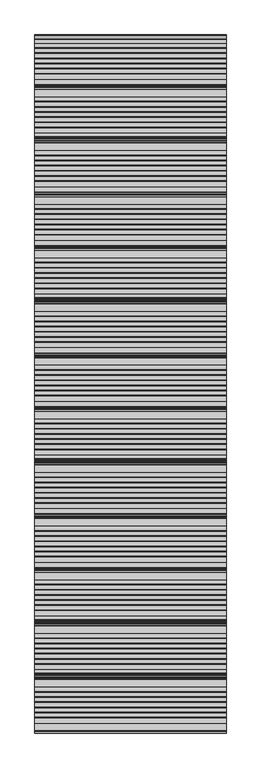
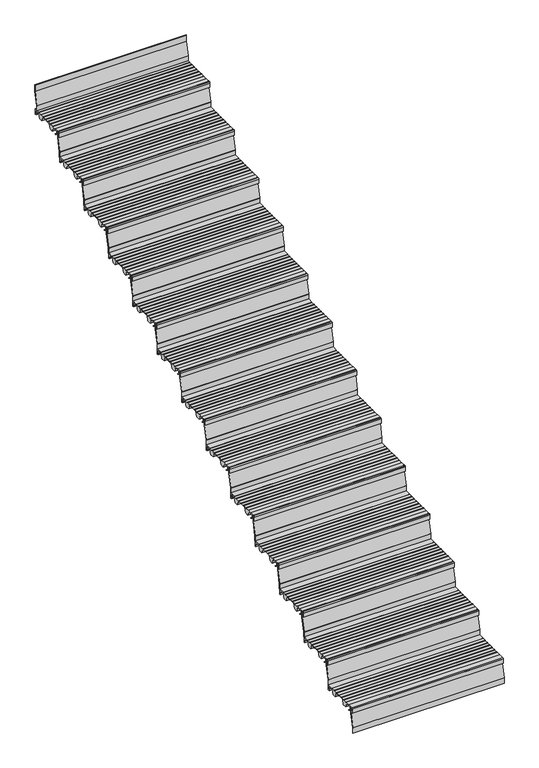
"""IFC4 building model written with IfcOpenShell, lengths in millimetres: stair flight geometry."""

from ifc_helpers import new_model, si_unit, point, frame, frame_2d, origin, place, context, project, spatial, polyline, circle_curve, trimmed, segment, composite_curve, outline, extrude, source, transform, mapped, element, save


def stair_flight_ac279fb4(model_context):
    return source(origin(), model_context, "Body", "SweptSolid", [
        extrude(outline(composite_curve([segment(polyline([(-14035.7714581, 142.2436313), (-14024.0121655, 133.0961128), (-14020.5625929, 133.0885102), (-14020.5684453, 130.4330421), (-14024.9259703, 130.4426458), (-14038.2117943, 140.7776485), (-14038.8689923, 160.5772032), (-14055.6889024, 160.5401335), (-14055.6889024, 139.1885558), (-14049.7889347, 139.2015588), (-14049.7889347, 129.9429101), (-14058.9832568, 129.9429101), (-14058.9832568, 160.8235294)]), True, "CONTINUOUS"), segment(trimmed(circle_curve(frame_2d((-14053.9832568, 160.8235294)), 5.0), [point((-14058.9832568, 160.8235294))], [point((-14053.9832568, 165.8235294))], False, "CARTESIAN"), True, "CONTINUOUS"), segment(polyline([(-14053.9832568, 165.8235294), (-14019.2747035, 165.8235294), (-14019.2747035, 164.4415536), (-13989.2485475, 164.3753783), (-13989.2485475, 165.9642153), (-13987.213968, 165.9642153), (-13987.213968, 164.0199324), (-13962.3673917, 164.0199324), (-13962.3673917, 165.9642153), (-13960.3328122, 165.9642153), (-13960.3328122, 164.0199324), (-13935.4862358, 164.0199324), (-13935.4862358, 165.9642153), (-13933.4516563, 165.9642153), (-13933.4516563, 164.0199324), (-13908.60508, 164.0199324), (-13908.60508, 165.9642153), (-13906.5705005, 165.9642153), (-13906.5705005, 164.0199324), (-13881.7239241, 164.0199324), (-13881.7239241, 165.9642153), (-13879.6893446, 165.9642153), (-13879.6893446, 164.0199324), (-13854.852176, 164.0199324), (-13854.852176, 165.9642153), (-13852.8175965, 165.9642153), (-13852.8175965, 164.0199324), (-13827.9697223, 164.0199324), (-13827.9697223, 165.9094525), (-13788.9832568, 165.8235294), (-13788.9832568, 129.9226465), (-13798.1775789, 129.9429101), (-13798.1775789, 139.2015588), (-13792.2776112, 139.1885558), (-13792.2776112, 160.5401335), (-13830.4991521, 160.6243708), (-13841.2246336, 130.0377824), (-13866.1164136, 130.092642), (-13879.1103611, 161.2983621), (-13949.7810763, 161.4541148), (-13960.7051778, 130.3011082), (-13985.5969579, 130.3559677), (-13998.6696565, 161.7508134), (-14019.2747035, 161.7962253), (-14019.2747035, 160.6203875), (-14036.3801784, 160.5826884), (-14035.7714581, 142.2436313)]), True, "CONTINUOUS")], self_intersect=False)), frame((-18715.7515248, 0.0, 0.0), z_axis=(1.0, 0.0, 0.0), x_axis=(0.0, 1.0, 0.0)), (0.0, 0.0, 1.0), 1000.0),
        extrude(outline(composite_curve([segment(polyline([(-14047.4779196, 165.8235294), (-14045.4776692, 165.8235294), (-14045.4776692, 124.3665797)]), True, "CONTINUOUS"), segment(trimmed(circle_curve(frame_2d((-14049.3540568, 124.2822498)), 3.8773048), [point((-14045.4776692, 124.3665797))], [point((-14045.5840737, 123.376314))], False, "CARTESIAN"), True, "CONTINUOUS"), segment(polyline([(-14045.5840737, 123.376314), (-14066.9830064, 34.3262853), (-14066.9830064, -1.6764706), (-14068.9832568, -1.6764706), (-14068.9832568, 34.0170374)]), True, "CONTINUOUS"), segment(trimmed(circle_curve(frame_2d((-14064.394955, 34.0170374)), 4.5883018), [point((-14068.9832568, 34.0170374))], [point((-14068.8562551, 35.0890984))], False, "CARTESIAN"), True, "CONTINUOUS"), segment(polyline([(-14068.8562551, 35.0890984), (-14047.4779196, 124.0534134), (-14047.4779196, 165.8235294)]), True, "CONTINUOUS")], self_intersect=False)), frame((-18715.7515248, 0.0, 0.0), z_axis=(1.0, 0.0, 0.0), x_axis=(0.0, 1.0, 0.0)), (0.0, 0.0, 1.0), 1000.0),
        extrude(outline(composite_curve([segment(polyline([(-13767.4779196, 331.6470588), (-13765.4776692, 331.6470588), (-13765.4776692, 290.1901091)]), True, "CONTINUOUS"), segment(trimmed(circle_curve(frame_2d((-13769.3540568, 290.1057792)), 3.8773048), [point((-13765.4776692, 290.1901091))], [point((-13765.5840737, 289.1998434))], False, "CARTESIAN"), True, "CONTINUOUS"), segment(polyline([(-13765.5840737, 289.1998434), (-13786.9830064, 200.1498147), (-13786.9830064, 164.1470588), (-13788.9832568, 164.1470588), (-13788.9832568, 199.8405668)]), True, "CONTINUOUS"), segment(trimmed(circle_curve(frame_2d((-13784.394955, 199.8405668)), 4.5883018), [point((-13788.9832568, 199.8405668))], [point((-13788.8562551, 200.9126278))], False, "CARTESIAN"), True, "CONTINUOUS"), segment(polyline([(-13788.8562551, 200.9126278), (-13767.4779196, 289.8769428), (-13767.4779196, 331.6470588)]), True, "CONTINUOUS")], self_intersect=False)), frame((-18715.7515248, 0.0, 0.0), z_axis=(1.0, 0.0, 0.0), x_axis=(0.0, 1.0, 0.0)), (0.0, 0.0, 1.0), 1000.0),
        extrude(outline(composite_curve([segment(polyline([(-13755.7714581, 308.0671607), (-13744.0121655, 298.9196422), (-13740.5625929, 298.9120396), (-13740.5684453, 296.2565715), (-13744.9259703, 296.2661752), (-13758.2117943, 306.6011779), (-13758.8689923, 326.4007327), (-13775.6889024, 326.3636629), (-13775.6889024, 305.0120852), (-13769.7889347, 305.0250882), (-13769.7889347, 295.7664395), (-13778.9832568, 295.7664395), (-13778.9832568, 326.6470588)]), True, "CONTINUOUS"), segment(trimmed(circle_curve(frame_2d((-13773.9832568, 326.6470588)), 5.0), [point((-13778.9832568, 326.6470588))], [point((-13773.9832568, 331.6470588))], False, "CARTESIAN"), True, "CONTINUOUS"), segment(polyline([(-13773.9832568, 331.6470588), (-13739.2747035, 331.6470588), (-13739.2747035, 330.265083), (-13709.2485475, 330.1989077), (-13709.2485475, 331.7877447), (-13707.213968, 331.7877447), (-13707.213968, 329.8434618), (-13682.3673917, 329.8434618), (-13682.3673917, 331.7877447), (-13680.3328122, 331.7877447), (-13680.3328122, 329.8434618), (-13655.4862358, 329.8434618), (-13655.4862358, 331.7877447), (-13653.4516563, 331.7877447), (-13653.4516563, 329.8434618), (-13628.60508, 329.8434618), (-13628.60508, 331.7877447), (-13626.5705005, 331.7877447), (-13626.5705005, 329.8434618), (-13601.7239241, 329.8434618), (-13601.7239241, 331.7877447), (-13599.6893446, 331.7877447), (-13599.6893446, 329.8434618), (-13574.852176, 329.8434618), (-13574.852176, 331.7877447), (-13572.8175965, 331.7877447), (-13572.8175965, 329.8434618), (-13547.9697223, 329.8434618), (-13547.9697223, 331.7329819), (-13508.9832568, 331.6470588), (-13508.9832568, 295.7461759), (-13518.1775789, 295.7664395), (-13518.1775789, 305.0250882), (-13512.2776112, 305.0120852), (-13512.2776112, 326.3636629), (-13550.4991521, 326.4479002), (-13561.2246336, 295.8613118), (-13586.1164136, 295.9161714), (-13599.1103611, 327.1218915), (-13669.7810763, 327.2776442), (-13680.7051778, 296.1246376), (-13705.5969579, 296.1794971), (-13718.6696565, 327.5743428), (-13739.2747035, 327.6197548), (-13739.2747035, 326.4439169), (-13756.3801784, 326.4062178), (-13755.7714581, 308.0671607)]), True, "CONTINUOUS")], self_intersect=False)), frame((-18715.7515248, 0.0, 0.0), z_axis=(1.0, 0.0, 0.0), x_axis=(0.0, 1.0, 0.0)), (0.0, 0.0, 1.0), 1000.0),
        extrude(outline(composite_curve([segment(polyline([(-13487.4779196, 497.4705882), (-13485.4776692, 497.4705882), (-13485.4776692, 456.0136385)]), True, "CONTINUOUS"), segment(trimmed(circle_curve(frame_2d((-13489.3540568, 455.9293087)), 3.8773048), [point((-13485.4776692, 456.0136385))], [point((-13485.5840737, 455.0233728))], False, "CARTESIAN"), True, "CONTINUOUS"), segment(polyline([(-13485.5840737, 455.0233728), (-13506.9830064, 365.9733441), (-13506.9830064, 329.9705882), (-13508.9832568, 329.9705882), (-13508.9832568, 365.6640963)]), True, "CONTINUOUS"), segment(trimmed(circle_curve(frame_2d((-13504.394955, 365.6640963)), 4.5883018), [point((-13508.9832568, 365.6640963))], [point((-13508.8562551, 366.7361572))], False, "CARTESIAN"), True, "CONTINUOUS"), segment(polyline([(-13508.8562551, 366.7361572), (-13487.4779196, 455.7004722), (-13487.4779196, 497.4705882)]), True, "CONTINUOUS")], self_intersect=False)), frame((-18715.7515248, 0.0, 0.0), z_axis=(1.0, 0.0, 0.0), x_axis=(0.0, 1.0, 0.0)), (0.0, 0.0, 1.0), 1000.0),
        extrude(outline(composite_curve([segment(polyline([(-13475.7714581, 473.8906902), (-13464.0121655, 464.7431716), (-13460.5625929, 464.735569), (-13460.5684453, 462.080101), (-13464.9259703, 462.0897046), (-13478.2117943, 472.4247073), (-13478.8689923, 492.2242621), (-13495.6889024, 492.1871923), (-13495.6889024, 470.8356146), (-13489.7889347, 470.8486177), (-13489.7889347, 461.5899689), (-13498.9832568, 461.5899689), (-13498.9832568, 492.4705882)]), True, "CONTINUOUS"), segment(trimmed(circle_curve(frame_2d((-13493.9832568, 492.4705882)), 5.0), [point((-13498.9832568, 492.4705882))], [point((-13493.9832568, 497.4705882))], False, "CARTESIAN"), True, "CONTINUOUS"), segment(polyline([(-13493.9832568, 497.4705882), (-13459.2747035, 497.4705882), (-13459.2747035, 496.0886124), (-13429.2485475, 496.0224371), (-13429.2485475, 497.6112741), (-13427.213968, 497.6112741), (-13427.213968, 495.6669912), (-13402.3673917, 495.6669912), (-13402.3673917, 497.6112741), (-13400.3328122, 497.6112741), (-13400.3328122, 495.6669912), (-13375.4862358, 495.6669912), (-13375.4862358, 497.6112741), (-13373.4516563, 497.6112741), (-13373.4516563, 495.6669912), (-13348.60508, 495.6669912), (-13348.60508, 497.6112741), (-13346.5705005, 497.6112741), (-13346.5705005, 495.6669912), (-13321.7239241, 495.6669912), (-13321.7239241, 497.6112741), (-13319.6893446, 497.6112741), (-13319.6893446, 495.6669912), (-13294.852176, 495.6669912), (-13294.852176, 497.6112741), (-13292.8175965, 497.6112741), (-13292.8175965, 495.6669912), (-13267.9697223, 495.6669912), (-13267.9697223, 497.5565113), (-13228.9832568, 497.4705882), (-13228.9832568, 461.5697053), (-13238.1775789, 461.5899689), (-13238.1775789, 470.8486177), (-13232.2776112, 470.8356146), (-13232.2776112, 492.1871923), (-13270.4991521, 492.2714296), (-13281.2246336, 461.6848412), (-13306.1164136, 461.7397008), (-13319.1103611, 492.9454209), (-13389.7810763, 493.1011736), (-13400.7051778, 461.948167), (-13425.5969579, 462.0030265), (-13438.6696565, 493.3978723), (-13459.2747035, 493.4432842), (-13459.2747035, 492.2674463), (-13476.3801784, 492.2297472), (-13475.7714581, 473.8906902)]), True, "CONTINUOUS")], self_intersect=False)), frame((-18715.7515248, 0.0, 0.0), z_axis=(1.0, 0.0, 0.0), x_axis=(0.0, 1.0, 0.0)), (0.0, 0.0, 1.0), 1000.0),
        extrude(outline(composite_curve([segment(polyline([(-13207.4779196, 663.2941176), (-13205.4776692, 663.2941176), (-13205.4776692, 621.8371679)]), True, "CONTINUOUS"), segment(trimmed(circle_curve(frame_2d((-13209.3540568, 621.7528381)), 3.8773048), [point((-13205.4776692, 621.8371679))], [point((-13205.5840737, 620.8469022))], False, "CARTESIAN"), True, "CONTINUOUS"), segment(polyline([(-13205.5840737, 620.8469022), (-13226.9830064, 531.7968735), (-13226.9830064, 495.7941176), (-13228.9832568, 495.7941176), (-13228.9832568, 531.4876257)]), True, "CONTINUOUS"), segment(trimmed(circle_curve(frame_2d((-13224.394955, 531.4876257)), 4.5883018), [point((-13228.9832568, 531.4876257))], [point((-13228.8562551, 532.5596866))], False, "CARTESIAN"), True, "CONTINUOUS"), segment(polyline([(-13228.8562551, 532.5596866), (-13207.4779196, 621.5240017), (-13207.4779196, 663.2941176)]), True, "CONTINUOUS")], self_intersect=False)), frame((-18715.7515248, 0.0, 0.0), z_axis=(1.0, 0.0, 0.0), x_axis=(0.0, 1.0, 0.0)), (0.0, 0.0, 1.0), 1000.0),
        extrude(outline(composite_curve([segment(polyline([(-13195.7714581, 639.7142196), (-13184.0121655, 630.566701), (-13180.5625929, 630.5590984), (-13180.5684453, 627.9036304), (-13184.9259703, 627.913234), (-13198.2117943, 638.2482367), (-13198.8689923, 658.0477915), (-13215.6889024, 658.0107217), (-13215.6889024, 636.659144), (-13209.7889347, 636.6721471), (-13209.7889347, 627.4134983), (-13218.9832568, 627.4134983), (-13218.9832568, 658.2941176)]), True, "CONTINUOUS"), segment(trimmed(circle_curve(frame_2d((-13213.9832568, 658.2941176)), 5.0), [point((-13218.9832568, 658.2941176))], [point((-13213.9832568, 663.2941176))], False, "CARTESIAN"), True, "CONTINUOUS"), segment(polyline([(-13213.9832568, 663.2941176), (-13179.2747035, 663.2941176), (-13179.2747035, 661.9121418), (-13149.2485475, 661.8459665), (-13149.2485475, 663.4348035), (-13147.213968, 663.4348035), (-13147.213968, 661.4905206), (-13122.3673917, 661.4905206), (-13122.3673917, 663.4348035), (-13120.3328122, 663.4348035), (-13120.3328122, 661.4905206), (-13095.4862358, 661.4905206), (-13095.4862358, 663.4348035), (-13093.4516563, 663.4348035), (-13093.4516563, 661.4905206), (-13068.60508, 661.4905206), (-13068.60508, 663.4348035), (-13066.5705005, 663.4348035), (-13066.5705005, 661.4905206), (-13041.7239241, 661.4905206), (-13041.7239241, 663.4348035), (-13039.6893446, 663.4348035), (-13039.6893446, 661.4905206), (-13014.852176, 661.4905206), (-13014.852176, 663.4348035), (-13012.8175965, 663.4348035), (-13012.8175965, 661.4905206), (-12987.9697223, 661.4905206), (-12987.9697223, 663.3800408), (-12948.9832568, 663.2941176), (-12948.9832568, 627.3932348), (-12958.1775789, 627.4134983), (-12958.1775789, 636.6721471), (-12952.2776112, 636.659144), (-12952.2776112, 658.0107217), (-12990.4991521, 658.094959), (-13001.2246336, 627.5083707), (-13026.1164136, 627.5632302), (-13039.1103611, 658.7689503), (-13109.7810763, 658.9247031), (-13120.7051778, 627.7716964), (-13145.5969579, 627.8265559), (-13158.6696565, 659.2214017), (-13179.2747035, 659.2668136), (-13179.2747035, 658.0909758), (-13196.3801784, 658.0532766), (-13195.7714581, 639.7142196)]), True, "CONTINUOUS")], self_intersect=False)), frame((-18715.7515248, 0.0, 0.0), z_axis=(1.0, 0.0, 0.0), x_axis=(0.0, 1.0, 0.0)), (0.0, 0.0, 1.0), 1000.0),
        extrude(outline(composite_curve([segment(polyline([(-12927.4779196, 829.1176471), (-12925.4776692, 829.1176471), (-12925.4776692, 787.6606973)]), True, "CONTINUOUS"), segment(trimmed(circle_curve(frame_2d((-12929.3540568, 787.5763675)), 3.8773048), [point((-12925.4776692, 787.6606973))], [point((-12925.5840737, 786.6704316))], False, "CARTESIAN"), True, "CONTINUOUS"), segment(polyline([(-12925.5840737, 786.6704316), (-12946.9830064, 697.620403), (-12946.9830064, 661.6176471), (-12948.9832568, 661.6176471), (-12948.9832568, 697.3111551)]), True, "CONTINUOUS"), segment(trimmed(circle_curve(frame_2d((-12944.394955, 697.3111551)), 4.5883018), [point((-12948.9832568, 697.3111551))], [point((-12948.8562551, 698.3832161))], False, "CARTESIAN"), True, "CONTINUOUS"), segment(polyline([(-12948.8562551, 698.3832161), (-12927.4779196, 787.3475311), (-12927.4779196, 829.1176471)]), True, "CONTINUOUS")], self_intersect=False)), frame((-18715.7515248, 0.0, 0.0), z_axis=(1.0, 0.0, 0.0), x_axis=(0.0, 1.0, 0.0)), (0.0, 0.0, 1.0), 1000.0),
        extrude(outline(composite_curve([segment(polyline([(-12915.7714581, 805.537749), (-12904.0121655, 796.3902304), (-12900.5625929, 796.3826279), (-12900.5684453, 793.7271598), (-12904.9259703, 793.7367634), (-12918.2117943, 804.0717661), (-12918.8689923, 823.8713209), (-12935.6889024, 823.8342511), (-12935.6889024, 802.4826734), (-12929.7889347, 802.4956765), (-12929.7889347, 793.2370277), (-12938.9832568, 793.2370277), (-12938.9832568, 824.1176471)]), True, "CONTINUOUS"), segment(trimmed(circle_curve(frame_2d((-12933.9832568, 824.1176471)), 5.0), [point((-12938.9832568, 824.1176471))], [point((-12933.9832568, 829.1176471))], False, "CARTESIAN"), True, "CONTINUOUS"), segment(polyline([(-12933.9832568, 829.1176471), (-12899.2747035, 829.1176471), (-12899.2747035, 827.7356712), (-12869.2485475, 827.6694959), (-12869.2485475, 829.2583329), (-12867.213968, 829.2583329), (-12867.213968, 827.31405), (-12842.3673917, 827.31405), (-12842.3673917, 829.2583329), (-12840.3328122, 829.2583329), (-12840.3328122, 827.31405), (-12815.4862358, 827.31405), (-12815.4862358, 829.2583329), (-12813.4516563, 829.2583329), (-12813.4516563, 827.31405), (-12788.60508, 827.31405), (-12788.60508, 829.2583329), (-12786.5705005, 829.2583329), (-12786.5705005, 827.31405), (-12761.7239241, 827.31405), (-12761.7239241, 829.2583329), (-12759.6893446, 829.2583329), (-12759.6893446, 827.31405), (-12734.852176, 827.31405), (-12734.852176, 829.2583329), (-12732.8175965, 829.2583329), (-12732.8175965, 827.31405), (-12707.9697223, 827.31405), (-12707.9697223, 829.2035702), (-12668.9832568, 829.1176471), (-12668.9832568, 793.2167642), (-12678.1775789, 793.2370277), (-12678.1775789, 802.4956765), (-12672.2776112, 802.4826734), (-12672.2776112, 823.8342511), (-12710.4991521, 823.9184884), (-12721.2246336, 793.3319001), (-12746.1164136, 793.3867596), (-12759.1103611, 824.5924798), (-12829.7810763, 824.7482325), (-12840.7051778, 793.5952258), (-12865.5969579, 793.6500854), (-12878.6696565, 825.0449311), (-12899.2747035, 825.090343), (-12899.2747035, 823.9145052), (-12916.3801784, 823.876806), (-12915.7714581, 805.537749)]), True, "CONTINUOUS")], self_intersect=False)), frame((-18715.7515248, 0.0, 0.0), z_axis=(1.0, 0.0, 0.0), x_axis=(0.0, 1.0, 0.0)), (0.0, 0.0, 1.0), 1000.0),
        extrude(outline(composite_curve([segment(polyline([(-12647.4779196, 994.9411765), (-12645.4776692, 994.9411765), (-12645.4776692, 953.4842267)]), True, "CONTINUOUS"), segment(trimmed(circle_curve(frame_2d((-12649.3540568, 953.3998969)), 3.8773048), [point((-12645.4776692, 953.4842267))], [point((-12645.5840737, 952.493961))], False, "CARTESIAN"), True, "CONTINUOUS"), segment(polyline([(-12645.5840737, 952.493961), (-12666.9830064, 863.4439324), (-12666.9830064, 827.4411765), (-12668.9832568, 827.4411765), (-12668.9832568, 863.1346845)]), True, "CONTINUOUS"), segment(trimmed(circle_curve(frame_2d((-12664.394955, 863.1346845)), 4.5883018), [point((-12668.9832568, 863.1346845))], [point((-12668.8562551, 864.2067455))], False, "CARTESIAN"), True, "CONTINUOUS"), segment(polyline([(-12668.8562551, 864.2067455), (-12647.4779196, 953.1710605), (-12647.4779196, 994.9411765)]), True, "CONTINUOUS")], self_intersect=False)), frame((-18715.7515248, 0.0, 0.0), z_axis=(1.0, 0.0, 0.0), x_axis=(0.0, 1.0, 0.0)), (0.0, 0.0, 1.0), 1000.0),
        extrude(outline(composite_curve([segment(polyline([(-12635.7714581, 971.3612784), (-12624.0121655, 962.2137599), (-12620.5625929, 962.2061573), (-12620.5684453, 959.5506892), (-12624.9259703, 959.5602928), (-12638.2117943, 969.8952956), (-12638.8689923, 989.6948503), (-12655.6889024, 989.6577805), (-12655.6889024, 968.3062028), (-12649.7889347, 968.3192059), (-12649.7889347, 959.0605571), (-12658.9832568, 959.0605571), (-12658.9832568, 989.9411765)]), True, "CONTINUOUS"), segment(trimmed(circle_curve(frame_2d((-12653.9832568, 989.9411765)), 5.0), [point((-12658.9832568, 989.9411765))], [point((-12653.9832568, 994.9411765))], False, "CARTESIAN"), True, "CONTINUOUS"), segment(polyline([(-12653.9832568, 994.9411765), (-12619.2747035, 994.9411765), (-12619.2747035, 993.5592006), (-12589.2485475, 993.4930253), (-12589.2485475, 995.0818624), (-12587.213968, 995.0818624), (-12587.213968, 993.1375794), (-12562.3673917, 993.1375794), (-12562.3673917, 995.0818624), (-12560.3328122, 995.0818624), (-12560.3328122, 993.1375794), (-12535.4862358, 993.1375794), (-12535.4862358, 995.0818624), (-12533.4516563, 995.0818624), (-12533.4516563, 993.1375794), (-12508.60508, 993.1375794), (-12508.60508, 995.0818624), (-12506.5705005, 995.0818624), (-12506.5705005, 993.1375794), (-12481.7239241, 993.1375794), (-12481.7239241, 995.0818624), (-12479.6893446, 995.0818624), (-12479.6893446, 993.1375794), (-12454.852176, 993.1375794), (-12454.852176, 995.0818624), (-12452.8175965, 995.0818624), (-12452.8175965, 993.1375794), (-12427.9697223, 993.1375794), (-12427.9697223, 995.0270996), (-12388.9832568, 994.9411765), (-12388.9832568, 959.0402936), (-12398.1775789, 959.0605571), (-12398.1775789, 968.3192059), (-12392.2776112, 968.3062028), (-12392.2776112, 989.6577805), (-12430.4991521, 989.7420178), (-12441.2246336, 959.1554295), (-12466.1164136, 959.210289), (-12479.1103611, 990.4160092), (-12549.7810763, 990.5717619), (-12560.7051778, 959.4187552), (-12585.5969579, 959.4736148), (-12598.6696565, 990.8684605), (-12619.2747035, 990.9138724), (-12619.2747035, 989.7380346), (-12636.3801784, 989.7003355), (-12635.7714581, 971.3612784)]), True, "CONTINUOUS")], self_intersect=False)), frame((-18715.7515248, 0.0, 0.0), z_axis=(1.0, 0.0, 0.0), x_axis=(0.0, 1.0, 0.0)), (0.0, 0.0, 1.0), 1000.0),
        extrude(outline(composite_curve([segment(polyline([(-12367.4779196, 1160.7647059), (-12365.4776692, 1160.7647059), (-12365.4776692, 1119.3077562)]), True, "CONTINUOUS"), segment(trimmed(circle_curve(frame_2d((-12369.3540568, 1119.2234263)), 3.8773048), [point((-12365.4776692, 1119.3077562))], [point((-12365.5840737, 1118.3174904))], False, "CARTESIAN"), True, "CONTINUOUS"), segment(polyline([(-12365.5840737, 1118.3174904), (-12386.9830064, 1029.2674618), (-12386.9830064, 993.2647059), (-12388.9832568, 993.2647059), (-12388.9832568, 1028.9582139)]), True, "CONTINUOUS"), segment(trimmed(circle_curve(frame_2d((-12384.394955, 1028.9582139)), 4.5883018), [point((-12388.9832568, 1028.9582139))], [point((-12388.8562551, 1030.0302749))], False, "CARTESIAN"), True, "CONTINUOUS"), segment(polyline([(-12388.8562551, 1030.0302749), (-12367.4779196, 1118.9945899), (-12367.4779196, 1160.7647059)]), True, "CONTINUOUS")], self_intersect=False)), frame((-18715.7515248, 0.0, 0.0), z_axis=(1.0, 0.0, 0.0), x_axis=(0.0, 1.0, 0.0)), (0.0, 0.0, 1.0), 1000.0),
        extrude(outline(composite_curve([segment(polyline([(-12355.7714581, 1137.1848078), (-12344.0121655, 1128.0372893), (-12340.5625929, 1128.0296867), (-12340.5684453, 1125.3742186), (-12344.9259703, 1125.3838222), (-12358.2117943, 1135.718825), (-12358.8689923, 1155.5183797), (-12375.6889024, 1155.48131), (-12375.6889024, 1134.1297322), (-12369.7889347, 1134.1427353), (-12369.7889347, 1124.8840866), (-12378.9832568, 1124.8840866), (-12378.9832568, 1155.7647059)]), True, "CONTINUOUS"), segment(trimmed(circle_curve(frame_2d((-12373.9832568, 1155.7647059)), 5.0), [point((-12378.9832568, 1155.7647059))], [point((-12373.9832568, 1160.7647059))], False, "CARTESIAN"), True, "CONTINUOUS"), segment(polyline([(-12373.9832568, 1160.7647059), (-12339.2747035, 1160.7647059), (-12339.2747035, 1159.38273), (-12309.2485475, 1159.3165547), (-12309.2485475, 1160.9053918), (-12307.213968, 1160.9053918), (-12307.213968, 1158.9611088), (-12282.3673917, 1158.9611088), (-12282.3673917, 1160.9053918), (-12280.3328122, 1160.9053918), (-12280.3328122, 1158.9611088), (-12255.4862358, 1158.9611088), (-12255.4862358, 1160.9053918), (-12253.4516563, 1160.9053918), (-12253.4516563, 1158.9611088), (-12228.60508, 1158.9611088), (-12228.60508, 1160.9053918), (-12226.5705005, 1160.9053918), (-12226.5705005, 1158.9611088), (-12201.7239241, 1158.9611088), (-12201.7239241, 1160.9053918), (-12199.6893446, 1160.9053918), (-12199.6893446, 1158.9611088), (-12174.852176, 1158.9611088), (-12174.852176, 1160.9053918), (-12172.8175965, 1160.9053918), (-12172.8175965, 1158.9611088), (-12147.9697223, 1158.9611088), (-12147.9697223, 1160.850629), (-12108.9832568, 1160.7647059), (-12108.9832568, 1124.863823), (-12118.1775789, 1124.8840866), (-12118.1775789, 1134.1427353), (-12112.2776112, 1134.1297322), (-12112.2776112, 1155.48131), (-12150.4991521, 1155.5655472), (-12161.2246336, 1124.9789589), (-12186.1164136, 1125.0338184), (-12199.1103611, 1156.2395386), (-12269.7810763, 1156.3952913), (-12280.7051778, 1125.2422846), (-12305.5969579, 1125.2971442), (-12318.6696565, 1156.6919899), (-12339.2747035, 1156.7374018), (-12339.2747035, 1155.561564), (-12356.3801784, 1155.5238649), (-12355.7714581, 1137.1848078)]), True, "CONTINUOUS")], self_intersect=False)), frame((-18715.7515248, 0.0, 0.0), z_axis=(1.0, 0.0, 0.0), x_axis=(0.0, 1.0, 0.0)), (0.0, 0.0, 1.0), 1000.0),
        extrude(outline(composite_curve([segment(polyline([(-12087.4779196, 1326.5882353), (-12085.4776692, 1326.5882353), (-12085.4776692, 1285.1312856)]), True, "CONTINUOUS"), segment(trimmed(circle_curve(frame_2d((-12089.3540568, 1285.0469557)), 3.8773048), [point((-12085.4776692, 1285.1312856))], [point((-12085.5840737, 1284.1410199))], False, "CARTESIAN"), True, "CONTINUOUS"), segment(polyline([(-12085.5840737, 1284.1410199), (-12106.9830064, 1195.0909912), (-12106.9830064, 1159.0882353), (-12108.9832568, 1159.0882353), (-12108.9832568, 1194.7817433)]), True, "CONTINUOUS"), segment(trimmed(circle_curve(frame_2d((-12104.394955, 1194.7817433)), 4.5883018), [point((-12108.9832568, 1194.7817433))], [point((-12108.8562551, 1195.8538043))], False, "CARTESIAN"), True, "CONTINUOUS"), segment(polyline([(-12108.8562551, 1195.8538043), (-12087.4779196, 1284.8181193), (-12087.4779196, 1326.5882353)]), True, "CONTINUOUS")], self_intersect=False)), frame((-18715.7515248, 0.0, 0.0), z_axis=(1.0, 0.0, 0.0), x_axis=(0.0, 1.0, 0.0)), (0.0, 0.0, 1.0), 1000.0),
        extrude(outline(composite_curve([segment(polyline([(-12075.7714581, 1303.0083372), (-12064.0121655, 1293.8608187), (-12060.5625929, 1293.8532161), (-12060.5684453, 1291.197748), (-12064.9259703, 1291.2073517), (-12078.2117943, 1301.5423544), (-12078.8689923, 1321.3419091), (-12095.6889024, 1321.3048394), (-12095.6889024, 1299.9532616), (-12089.7889347, 1299.9662647), (-12089.7889347, 1290.707616), (-12098.9832568, 1290.707616), (-12098.9832568, 1321.5882353)]), True, "CONTINUOUS"), segment(trimmed(circle_curve(frame_2d((-12093.9832568, 1321.5882353)), 5.0), [point((-12098.9832568, 1321.5882353))], [point((-12093.9832568, 1326.5882353))], False, "CARTESIAN"), True, "CONTINUOUS"), segment(polyline([(-12093.9832568, 1326.5882353), (-12059.2747035, 1326.5882353), (-12059.2747035, 1325.2062594), (-12029.2485475, 1325.1400841), (-12029.2485475, 1326.7289212), (-12027.213968, 1326.7289212), (-12027.213968, 1324.7846383), (-12002.3673917, 1324.7846383), (-12002.3673917, 1326.7289212), (-12000.3328122, 1326.7289212), (-12000.3328122, 1324.7846383), (-11975.4862358, 1324.7846383), (-11975.4862358, 1326.7289212), (-11973.4516563, 1326.7289212), (-11973.4516563, 1324.7846383), (-11948.60508, 1324.7846383), (-11948.60508, 1326.7289212), (-11946.5705005, 1326.7289212), (-11946.5705005, 1324.7846383), (-11921.7239241, 1324.7846383), (-11921.7239241, 1326.7289212), (-11919.6893446, 1326.7289212), (-11919.6893446, 1324.7846383), (-11894.852176, 1324.7846383), (-11894.852176, 1326.7289212), (-11892.8175965, 1326.7289212), (-11892.8175965, 1324.7846383), (-11867.9697223, 1324.7846383), (-11867.9697223, 1326.6741584), (-11828.9832568, 1326.5882353), (-11828.9832568, 1290.6873524), (-11838.1775789, 1290.707616), (-11838.1775789, 1299.9662647), (-11832.2776112, 1299.9532616), (-11832.2776112, 1321.3048394), (-11870.4991521, 1321.3890766), (-11881.2246336, 1290.8024883), (-11906.1164136, 1290.8573478), (-11919.1103611, 1322.063068), (-11989.7810763, 1322.2188207), (-12000.7051778, 1291.0658141), (-12025.5969579, 1291.1206736), (-12038.6696565, 1322.5155193), (-12059.2747035, 1322.5609312), (-12059.2747035, 1321.3850934), (-12076.3801784, 1321.3473943), (-12075.7714581, 1303.0083372)]), True, "CONTINUOUS")], self_intersect=False)), frame((-18715.7515248, 0.0, 0.0), z_axis=(1.0, 0.0, 0.0), x_axis=(0.0, 1.0, 0.0)), (0.0, 0.0, 1.0), 1000.0),
        extrude(outline(composite_curve([segment(polyline([(-11807.4779196, 1492.4117647), (-11805.4776692, 1492.4117647), (-11805.4776692, 1450.954815)]), True, "CONTINUOUS"), segment(trimmed(circle_curve(frame_2d((-11809.3540568, 1450.8704851)), 3.8773048), [point((-11805.4776692, 1450.954815))], [point((-11805.5840737, 1449.9645493))], False, "CARTESIAN"), True, "CONTINUOUS"), segment(polyline([(-11805.5840737, 1449.9645493), (-11826.9830064, 1360.9145206), (-11826.9830064, 1324.9117647), (-11828.9832568, 1324.9117647), (-11828.9832568, 1360.6052727)]), True, "CONTINUOUS"), segment(trimmed(circle_curve(frame_2d((-11824.394955, 1360.6052727)), 4.5883018), [point((-11828.9832568, 1360.6052727))], [point((-11828.8562551, 1361.6773337))], False, "CARTESIAN"), True, "CONTINUOUS"), segment(polyline([(-11828.8562551, 1361.6773337), (-11807.4779196, 1450.6416487), (-11807.4779196, 1492.4117647)]), True, "CONTINUOUS")], self_intersect=False)), frame((-18715.7515248, 0.0, 0.0), z_axis=(1.0, 0.0, 0.0), x_axis=(0.0, 1.0, 0.0)), (0.0, 0.0, 1.0), 1000.0),
        extrude(outline(composite_curve([segment(polyline([(-11795.7714581, 1468.8318666), (-11784.0121655, 1459.6843481), (-11780.5625929, 1459.6767455), (-11780.5684453, 1457.0212774), (-11784.9259703, 1457.0308811), (-11798.2117943, 1467.3658838), (-11798.8689923, 1487.1654385), (-11815.6889024, 1487.1283688), (-11815.6889024, 1465.7767911), (-11809.7889347, 1465.7897941), (-11809.7889347, 1456.5311454), (-11818.9832568, 1456.5311454), (-11818.9832568, 1487.4117647)]), True, "CONTINUOUS"), segment(trimmed(circle_curve(frame_2d((-11813.9832568, 1487.4117647)), 5.0), [point((-11818.9832568, 1487.4117647))], [point((-11813.9832568, 1492.4117647))], False, "CARTESIAN"), True, "CONTINUOUS"), segment(polyline([(-11813.9832568, 1492.4117647), (-11779.2747035, 1492.4117647), (-11779.2747035, 1491.0297889), (-11749.2485475, 1490.9636136), (-11749.2485475, 1492.5524506), (-11747.213968, 1492.5524506), (-11747.213968, 1490.6081677), (-11722.3673917, 1490.6081677), (-11722.3673917, 1492.5524506), (-11720.3328122, 1492.5524506), (-11720.3328122, 1490.6081677), (-11695.4862358, 1490.6081677), (-11695.4862358, 1492.5524506), (-11693.4516563, 1492.5524506), (-11693.4516563, 1490.6081677), (-11668.60508, 1490.6081677), (-11668.60508, 1492.5524506), (-11666.5705005, 1492.5524506), (-11666.5705005, 1490.6081677), (-11641.7239241, 1490.6081677), (-11641.7239241, 1492.5524506), (-11639.6893446, 1492.5524506), (-11639.6893446, 1490.6081677), (-11614.852176, 1490.6081677), (-11614.852176, 1492.5524506), (-11612.8175965, 1492.5524506), (-11612.8175965, 1490.6081677), (-11587.9697223, 1490.6081677), (-11587.9697223, 1492.4976878), (-11548.9832568, 1492.4117647), (-11548.9832568, 1456.5108818), (-11558.1775789, 1456.5311454), (-11558.1775789, 1465.7897941), (-11552.2776112, 1465.7767911), (-11552.2776112, 1487.1283688), (-11590.4991521, 1487.2126061), (-11601.2246336, 1456.6260177), (-11626.1164136, 1456.6808772), (-11639.1103611, 1487.8865974), (-11709.7810763, 1488.0423501), (-11720.7051778, 1456.8893435), (-11745.5969579, 1456.944203), (-11758.6696565, 1488.3390487), (-11779.2747035, 1488.3844606), (-11779.2747035, 1487.2086228), (-11796.3801784, 1487.1709237), (-11795.7714581, 1468.8318666)]), True, "CONTINUOUS")], self_intersect=False)), frame((-18715.7515248, 0.0, 0.0), z_axis=(1.0, 0.0, 0.0), x_axis=(0.0, 1.0, 0.0)), (0.0, 0.0, 1.0), 1000.0),
        extrude(outline(composite_curve([segment(polyline([(-11527.4779196, 1658.2352941), (-11525.4776692, 1658.2352941), (-11525.4776692, 1616.7783444)]), True, "CONTINUOUS"), segment(trimmed(circle_curve(frame_2d((-11529.3540568, 1616.6940145)), 3.8773048), [point((-11525.4776692, 1616.7783444))], [point((-11525.5840737, 1615.7880787))], False, "CARTESIAN"), True, "CONTINUOUS"), segment(polyline([(-11525.5840737, 1615.7880787), (-11546.9830064, 1526.73805), (-11546.9830064, 1490.7352941), (-11548.9832568, 1490.7352941), (-11548.9832568, 1526.4288021)]), True, "CONTINUOUS"), segment(trimmed(circle_curve(frame_2d((-11544.394955, 1526.4288021)), 4.5883018), [point((-11548.9832568, 1526.4288021))], [point((-11548.8562551, 1527.5008631))], False, "CARTESIAN"), True, "CONTINUOUS"), segment(polyline([(-11548.8562551, 1527.5008631), (-11527.4779196, 1616.4651781), (-11527.4779196, 1658.2352941)]), True, "CONTINUOUS")], self_intersect=False)), frame((-18715.7515248, 0.0, 0.0), z_axis=(1.0, 0.0, 0.0), x_axis=(0.0, 1.0, 0.0)), (0.0, 0.0, 1.0), 1000.0),
        extrude(outline(composite_curve([segment(polyline([(-11515.7714581, 1634.655396), (-11504.0121655, 1625.5078775), (-11500.5625929, 1625.5002749), (-11500.5684453, 1622.8448068), (-11504.9259703, 1622.8544105), (-11518.2117943, 1633.1894132), (-11518.8689923, 1652.988968), (-11535.6889024, 1652.9518982), (-11535.6889024, 1631.6003205), (-11529.7889347, 1631.6133235), (-11529.7889347, 1622.3546748), (-11538.9832568, 1622.3546748), (-11538.9832568, 1653.2352941)]), True, "CONTINUOUS"), segment(trimmed(circle_curve(frame_2d((-11533.9832568, 1653.2352941)), 5.0), [point((-11538.9832568, 1653.2352941))], [point((-11533.9832568, 1658.2352941))], False, "CARTESIAN"), True, "CONTINUOUS"), segment(polyline([(-11533.9832568, 1658.2352941), (-11499.2747035, 1658.2352941), (-11499.2747035, 1656.8533183), (-11469.2485475, 1656.787143), (-11469.2485475, 1658.37598), (-11467.213968, 1658.37598), (-11467.213968, 1656.4316971), (-11442.3673917, 1656.4316971), (-11442.3673917, 1658.37598), (-11440.3328122, 1658.37598), (-11440.3328122, 1656.4316971), (-11415.4862358, 1656.4316971), (-11415.4862358, 1658.37598), (-11413.4516563, 1658.37598), (-11413.4516563, 1656.4316971), (-11388.60508, 1656.4316971), (-11388.60508, 1658.37598), (-11386.5705005, 1658.37598), (-11386.5705005, 1656.4316971), (-11361.7239241, 1656.4316971), (-11361.7239241, 1658.37598), (-11359.6893446, 1658.37598), (-11359.6893446, 1656.4316971), (-11334.852176, 1656.4316971), (-11334.852176, 1658.37598), (-11332.8175965, 1658.37598), (-11332.8175965, 1656.4316971), (-11307.9697223, 1656.4316971), (-11307.9697223, 1658.3212172), (-11268.9832568, 1658.2352941), (-11268.9832568, 1622.3344112), (-11278.1775789, 1622.3546748), (-11278.1775789, 1631.6133235), (-11272.2776112, 1631.6003205), (-11272.2776112, 1652.9518982), (-11310.4991521, 1653.0361355), (-11321.2246336, 1622.4495471), (-11346.1164136, 1622.5044067), (-11359.1103611, 1653.7101268), (-11429.7810763, 1653.8658795), (-11440.7051778, 1622.7128729), (-11465.5969579, 1622.7677324), (-11478.6696565, 1654.1625781), (-11499.2747035, 1654.2079901), (-11499.2747035, 1653.0321522), (-11516.3801784, 1652.9944531), (-11515.7714581, 1634.655396)]), True, "CONTINUOUS")], self_intersect=False)), frame((-18715.7515248, 0.0, 0.0), z_axis=(1.0, 0.0, 0.0), x_axis=(0.0, 1.0, 0.0)), (0.0, 0.0, 1.0), 1000.0),
        extrude(outline(composite_curve([segment(polyline([(-11247.4779196, 1824.0588235), (-11245.4776692, 1824.0588235), (-11245.4776692, 1782.6018738)]), True, "CONTINUOUS"), segment(trimmed(circle_curve(frame_2d((-11249.3540568, 1782.5175439)), 3.8773048), [point((-11245.4776692, 1782.6018738))], [point((-11245.5840737, 1781.6116081))], False, "CARTESIAN"), True, "CONTINUOUS"), segment(polyline([(-11245.5840737, 1781.6116081), (-11266.9830064, 1692.5615794), (-11266.9830064, 1656.5588235), (-11268.9832568, 1656.5588235), (-11268.9832568, 1692.2523315)]), True, "CONTINUOUS"), segment(trimmed(circle_curve(frame_2d((-11264.394955, 1692.2523315)), 4.5883018), [point((-11268.9832568, 1692.2523315))], [point((-11268.8562551, 1693.3243925))], False, "CARTESIAN"), True, "CONTINUOUS"), segment(polyline([(-11268.8562551, 1693.3243925), (-11247.4779196, 1782.2887075), (-11247.4779196, 1824.0588235)]), True, "CONTINUOUS")], self_intersect=False)), frame((-18715.7515248, 0.0, 0.0), z_axis=(1.0, 0.0, 0.0), x_axis=(0.0, 1.0, 0.0)), (0.0, 0.0, 1.0), 1000.0),
        extrude(outline(composite_curve([segment(polyline([(-11235.7714581, 1800.4789255), (-11224.0121655, 1791.3314069), (-11220.5625929, 1791.3238043), (-11220.5684453, 1788.6683362), (-11224.9259703, 1788.6779399), (-11238.2117943, 1799.0129426), (-11238.8689923, 1818.8124974), (-11255.6889024, 1818.7754276), (-11255.6889024, 1797.4238499), (-11249.7889347, 1797.436853), (-11249.7889347, 1788.1782042), (-11258.9832568, 1788.1782042), (-11258.9832568, 1819.0588235)]), True, "CONTINUOUS"), segment(trimmed(circle_curve(frame_2d((-11253.9832568, 1819.0588235)), 5.0), [point((-11258.9832568, 1819.0588235))], [point((-11253.9832568, 1824.0588235))], False, "CARTESIAN"), True, "CONTINUOUS"), segment(polyline([(-11253.9832568, 1824.0588235), (-11219.2747035, 1824.0588235), (-11219.2747035, 1822.6768477), (-11189.2485475, 1822.6106724), (-11189.2485475, 1824.1995094), (-11187.213968, 1824.1995094), (-11187.213968, 1822.2552265), (-11162.3673917, 1822.2552265), (-11162.3673917, 1824.1995094), (-11160.3328122, 1824.1995094), (-11160.3328122, 1822.2552265), (-11135.4862358, 1822.2552265), (-11135.4862358, 1824.1995094), (-11133.4516563, 1824.1995094), (-11133.4516563, 1822.2552265), (-11108.60508, 1822.2552265), (-11108.60508, 1824.1995094), (-11106.5705005, 1824.1995094), (-11106.5705005, 1822.2552265), (-11081.7239241, 1822.2552265), (-11081.7239241, 1824.1995094), (-11079.6893446, 1824.1995094), (-11079.6893446, 1822.2552265), (-11054.852176, 1822.2552265), (-11054.852176, 1824.1995094), (-11052.8175965, 1824.1995094), (-11052.8175965, 1822.2552265), (-11027.9697223, 1822.2552265), (-11027.9697223, 1824.1447466), (-10988.9832568, 1824.0588235), (-10988.9832568, 1788.1579406), (-10998.1775789, 1788.1782042), (-10998.1775789, 1797.436853), (-10992.2776112, 1797.4238499), (-10992.2776112, 1818.7754276), (-11030.4991521, 1818.8596649), (-11041.2246336, 1788.2730765), (-11066.1164136, 1788.3279361), (-11079.1103611, 1819.5336562), (-11149.7810763, 1819.6894089), (-11160.7051778, 1788.5364023), (-11185.5969579, 1788.5912618), (-11198.6696565, 1819.9861076), (-11219.2747035, 1820.0315195), (-11219.2747035, 1818.8556816), (-11236.3801784, 1818.8179825), (-11235.7714581, 1800.4789255)]), True, "CONTINUOUS")], self_intersect=False)), frame((-18715.7515248, 0.0, 0.0), z_axis=(1.0, 0.0, 0.0), x_axis=(0.0, 1.0, 0.0)), (0.0, 0.0, 1.0), 1000.0),
        extrude(outline(composite_curve([segment(polyline([(-10967.4779196, 1989.8823529), (-10965.4776692, 1989.8823529), (-10965.4776692, 1948.4254032)]), True, "CONTINUOUS"), segment(trimmed(circle_curve(frame_2d((-10969.3540568, 1948.3410734)), 3.8773048), [point((-10965.4776692, 1948.4254032))], [point((-10965.5840737, 1947.4351375))], False, "CARTESIAN"), True, "CONTINUOUS"), segment(polyline([(-10965.5840737, 1947.4351375), (-10986.9830064, 1858.3851088), (-10986.9830064, 1822.3823529), (-10988.9832568, 1822.3823529), (-10988.9832568, 1858.075861)]), True, "CONTINUOUS"), segment(trimmed(circle_curve(frame_2d((-10984.394955, 1858.075861)), 4.5883018), [point((-10988.9832568, 1858.075861))], [point((-10988.8562551, 1859.1479219))], False, "CARTESIAN"), True, "CONTINUOUS"), segment(polyline([(-10988.8562551, 1859.1479219), (-10967.4779196, 1948.112237), (-10967.4779196, 1989.8823529)]), True, "CONTINUOUS")], self_intersect=False)), frame((-18715.7515248, 0.0, 0.0), z_axis=(1.0, 0.0, 0.0), x_axis=(0.0, 1.0, 0.0)), (0.0, 0.0, 1.0), 1000.0),
        extrude(outline(composite_curve([segment(polyline([(-10955.7714581, 1966.3024549), (-10944.0121655, 1957.1549363), (-10940.5625929, 1957.1473337), (-10940.5684453, 1954.4918657), (-10944.9259703, 1954.5014693), (-10958.2117943, 1964.836472), (-10958.8689923, 1984.6360268), (-10975.6889024, 1984.598957), (-10975.6889024, 1963.2473793), (-10969.7889347, 1963.2603824), (-10969.7889347, 1954.0017336), (-10978.9832568, 1954.0017336), (-10978.9832568, 1984.8823529)]), True, "CONTINUOUS"), segment(trimmed(circle_curve(frame_2d((-10973.9832568, 1984.8823529)), 5.0), [point((-10978.9832568, 1984.8823529))], [point((-10973.9832568, 1989.8823529))], False, "CARTESIAN"), True, "CONTINUOUS"), segment(polyline([(-10973.9832568, 1989.8823529), (-10939.2747035, 1989.8823529), (-10939.2747035, 1988.5003771), (-10909.2485475, 1988.4342018), (-10909.2485475, 1990.0230388), (-10907.213968, 1990.0230388), (-10907.213968, 1988.0787559), (-10882.3673917, 1988.0787559), (-10882.3673917, 1990.0230388), (-10880.3328122, 1990.0230388), (-10880.3328122, 1988.0787559), (-10855.4862358, 1988.0787559), (-10855.4862358, 1990.0230388), (-10853.4516563, 1990.0230388), (-10853.4516563, 1988.0787559), (-10828.60508, 1988.0787559), (-10828.60508, 1990.0230388), (-10826.5705005, 1990.0230388), (-10826.5705005, 1988.0787559), (-10801.7239241, 1988.0787559), (-10801.7239241, 1990.0230388), (-10799.6893446, 1990.0230388), (-10799.6893446, 1988.0787559), (-10774.852176, 1988.0787559), (-10774.852176, 1990.0230388), (-10772.8175965, 1990.0230388), (-10772.8175965, 1988.0787559), (-10747.9697223, 1988.0787559), (-10747.9697223, 1989.9682761), (-10708.9832568, 1989.8823529), (-10708.9832568, 1953.9814701), (-10718.1775789, 1954.0017336), (-10718.1775789, 1963.2603824), (-10712.2776112, 1963.2473793), (-10712.2776112, 1984.598957), (-10750.4991521, 1984.6831943), (-10761.2246336, 1954.096606), (-10786.1164136, 1954.1514655), (-10799.1103611, 1985.3571856), (-10869.7810763, 1985.5129384), (-10880.7051778, 1954.3599317), (-10905.5969579, 1954.4147912), (-10918.6696565, 1985.809637), (-10939.2747035, 1985.8550489), (-10939.2747035, 1984.6792111), (-10956.3801784, 1984.6415119), (-10955.7714581, 1966.3024549)]), True, "CONTINUOUS")], self_intersect=False)), frame((-18715.7515248, 0.0, 0.0), z_axis=(1.0, 0.0, 0.0), x_axis=(0.0, 1.0, 0.0)), (0.0, 0.0, 1.0), 1000.0),
        extrude(outline(composite_curve([segment(polyline([(-10427.4779196, 2321.5294118), (-10425.4776692, 2321.5294118), (-10425.4776692, 2280.072462)]), True, "CONTINUOUS"), segment(trimmed(circle_curve(frame_2d((-10429.3540568, 2279.9881322)), 3.8773048), [point((-10425.4776692, 2280.072462))], [point((-10425.5840737, 2279.0821963))], False, "CARTESIAN"), True, "CONTINUOUS"), segment(polyline([(-10425.5840737, 2279.0821963), (-10446.9830064, 2190.0321677), (-10446.9830064, 2154.0294118), (-10448.9832568, 2154.0294118), (-10448.9832568, 2189.7229198)]), True, "CONTINUOUS"), segment(trimmed(circle_curve(frame_2d((-10444.394955, 2189.7229198)), 4.5883018), [point((-10448.9832568, 2189.7229198))], [point((-10448.8562551, 2190.7949808))], False, "CARTESIAN"), True, "CONTINUOUS"), segment(polyline([(-10448.8562551, 2190.7949808), (-10427.4779196, 2279.7592958), (-10427.4779196, 2321.5294118)]), True, "CONTINUOUS")], self_intersect=False)), frame((-18715.7515248, 0.0, 0.0), z_axis=(1.0, 0.0, 0.0), x_axis=(0.0, 1.0, 0.0)), (0.0, 0.0, 1.0), 1000.0),
        extrude(outline(composite_curve([segment(polyline([(-10687.4779196, 2155.7058824), (-10685.4776692, 2155.7058824), (-10685.4776692, 2114.2489326)]), True, "CONTINUOUS"), segment(trimmed(circle_curve(frame_2d((-10689.3540568, 2114.1646028)), 3.8773048), [point((-10685.4776692, 2114.2489326))], [point((-10685.5840737, 2113.2586669))], False, "CARTESIAN"), True, "CONTINUOUS"), segment(polyline([(-10685.5840737, 2113.2586669), (-10706.9830064, 2024.2086383), (-10706.9830064, 1988.2058824), (-10708.9832568, 1988.2058824), (-10708.9832568, 2023.8993904)]), True, "CONTINUOUS"), segment(trimmed(circle_curve(frame_2d((-10704.394955, 2023.8993904)), 4.5883018), [point((-10708.9832568, 2023.8993904))], [point((-10708.8562551, 2024.9714513))], False, "CARTESIAN"), True, "CONTINUOUS"), segment(polyline([(-10708.8562551, 2024.9714513), (-10687.4779196, 2113.9357664), (-10687.4779196, 2155.7058824)]), True, "CONTINUOUS")], self_intersect=False)), frame((-18715.7515248, 0.0, 0.0), z_axis=(1.0, 0.0, 0.0), x_axis=(0.0, 1.0, 0.0)), (0.0, 0.0, 1.0), 1000.0),
        extrude(outline(composite_curve([segment(polyline([(-10675.7714581, 2132.1259843), (-10664.0121655, 2122.9784657), (-10660.5625929, 2122.9708632), (-10660.5684453, 2120.3153951), (-10664.9259703, 2120.3249987), (-10678.2117943, 2130.6600014), (-10678.8689923, 2150.4595562), (-10695.6889024, 2150.4224864), (-10695.6889024, 2129.0709087), (-10689.7889347, 2129.0839118), (-10689.7889347, 2119.825263), (-10698.9832568, 2119.825263), (-10698.9832568, 2150.7058824)]), True, "CONTINUOUS"), segment(trimmed(circle_curve(frame_2d((-10693.9832568, 2150.7058824)), 5.0), [point((-10698.9832568, 2150.7058824))], [point((-10693.9832568, 2155.7058824))], False, "CARTESIAN"), True, "CONTINUOUS"), segment(polyline([(-10693.9832568, 2155.7058824), (-10659.2747035, 2155.7058824), (-10659.2747035, 2154.3239065), (-10629.2485475, 2154.2577312), (-10629.2485475, 2155.8465682), (-10627.213968, 2155.8465682), (-10627.213968, 2153.9022853), (-10602.3673917, 2153.9022853), (-10602.3673917, 2155.8465682), (-10600.3328122, 2155.8465682), (-10600.3328122, 2153.9022853), (-10575.4862358, 2153.9022853), (-10575.4862358, 2155.8465682), (-10573.4516563, 2155.8465682), (-10573.4516563, 2153.9022853), (-10548.60508, 2153.9022853), (-10548.60508, 2155.8465682), (-10546.5705005, 2155.8465682), (-10546.5705005, 2153.9022853), (-10521.7239241, 2153.9022853), (-10521.7239241, 2155.8465682), (-10519.6893446, 2155.8465682), (-10519.6893446, 2153.9022853), (-10494.852176, 2153.9022853), (-10494.852176, 2155.8465682), (-10492.8175965, 2155.8465682), (-10492.8175965, 2153.9022853), (-10467.9697223, 2153.9022853), (-10467.9697223, 2155.7918055), (-10428.9832568, 2155.7058824), (-10428.9832568, 2119.8049995), (-10438.1775789, 2119.825263), (-10438.1775789, 2129.0839118), (-10432.2776112, 2129.0709087), (-10432.2776112, 2150.4224864), (-10470.4991521, 2150.5067237), (-10481.2246336, 2119.9201354), (-10506.1164136, 2119.9749949), (-10519.1103611, 2151.180715), (-10589.7810763, 2151.3364678), (-10600.7051778, 2120.1834611), (-10625.5969579, 2120.2383207), (-10638.6696565, 2151.6331664), (-10659.2747035, 2151.6785783), (-10659.2747035, 2150.5027405), (-10676.3801784, 2150.4650413), (-10675.7714581, 2132.1259843)]), True, "CONTINUOUS")], self_intersect=False)), frame((-18715.7515248, 0.0, 0.0), z_axis=(1.0, 0.0, 0.0), x_axis=(0.0, 1.0, 0.0)), (0.0, 0.0, 1.0), 1000.0),
    ])


if __name__ == "__main__":
    model = new_model("IFC4")
    model_context = context("Model", 3, world=origin())
    ifc_project = project(units=[si_unit("LENGTHUNIT", "METRE", prefix="MILLI")], contexts=[model_context])
    site = spatial("IfcSite", under=ifc_project)
    building = spatial("IfcBuilding", under=site)
    placement = place(None, origin())
    stair_flight_shape = stair_flight_ac279fb4(model_context)
    element("IfcStairFlight", 1, at=placement, inside=building, context=model_context, shape_type="MappedRepresentation", body=[
        mapped(stair_flight_shape, transform((0.0, 0.0, 0.0), x_axis=(1.0, 0.0, 0.0), y_axis=(0.0, 1.0, 0.0), z_axis=(0.0, 0.0, 1.0))),
    ])
    save(model, "model.ifc")
